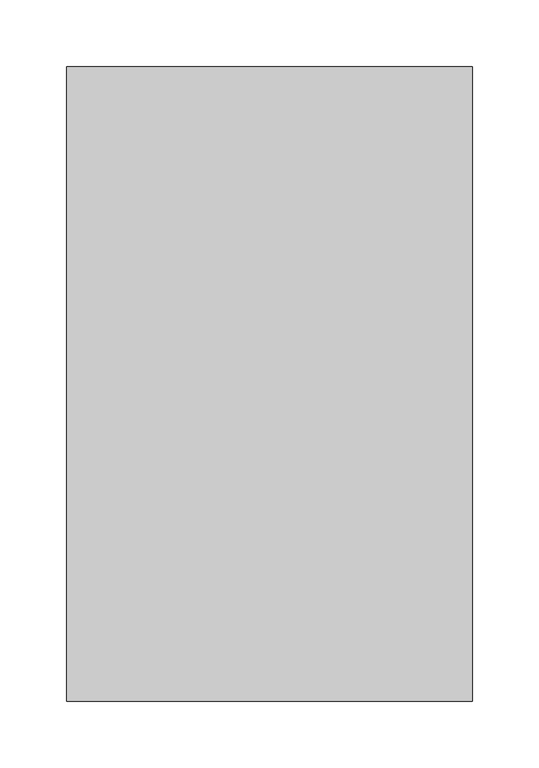
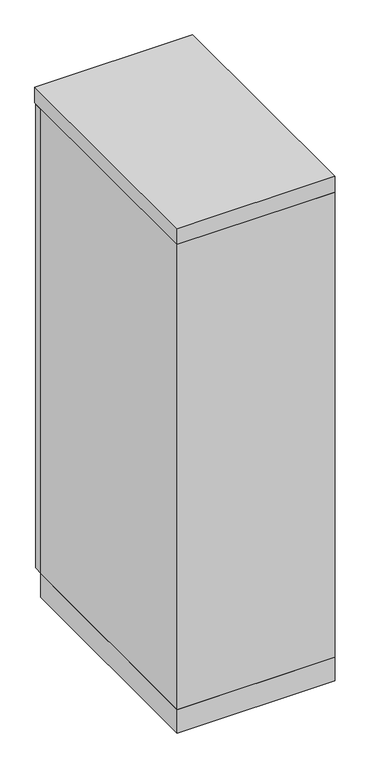
"""IFC4 building model written with IfcOpenShell, lengths in millimetres: furniture geometry."""

from ifc_helpers import new_model, si_unit, frame, origin, origin_with_axes, place, context, project, spatial, polyline, outline, extrude, source, transform, mapped, element, save


def furniture_483364e5(model_context):
    return source(origin(), model_context, "Body", "SweptSolid", [
        extrude(outline(polyline([(150.8125, 476.25), (150.8125, 457.2), (-150.8125, 457.2), (-150.8125, 476.25), (150.8125, 476.25)])), frame((0.0, 0.0, 47.625), z_axis=(0.0, 0.0, 1.0), x_axis=(1.0, 0.0, 0.0)), (0.0, 0.0, 1.0), 946.15),
        extrude(outline(polyline([(152.4, 0.0), (-152.4, 0.0), (-152.4, 457.2), (152.4, 457.2), (152.4, 0.0)])), origin_with_axes(), (0.0, 0.0, 1.0), 47.625),
        extrude(outline(polyline([(152.4, 0.0), (-152.4, 0.0), (-152.4, 476.25), (152.4, 476.25), (152.4, 0.0)])), frame((0.0, 0.0, 996.95), z_axis=(0.0, 0.0, 1.0), x_axis=(1.0, 0.0, 0.0)), (0.0, 0.0, 1.0), 31.75),
        extrude(outline(polyline([(152.4, 0.0), (-152.4, 0.0), (-152.4, 457.2), (-133.35, 457.2), (-133.35, 19.05), (133.35, 19.05), (133.35, 457.2), (152.4, 457.2), (152.4, 0.0)])), frame((0.0, 0.0, 47.625), z_axis=(0.0, 0.0, 1.0), x_axis=(1.0, 0.0, 0.0)), (0.0, 0.0, 1.0), 949.325),
    ])


if __name__ == "__main__":
    model = new_model("IFC4")
    model_context = context("Model", 3, world=origin())
    ifc_project = project(units=[si_unit("LENGTHUNIT", "METRE", prefix="MILLI")], contexts=[model_context])
    site = spatial("IfcSite", under=ifc_project)
    building = spatial("IfcBuilding", under=site)
    placement = place(None, origin())
    furniture_shape = furniture_483364e5(model_context)
    element("IfcFurniture", 1, at=placement, inside=building, context=model_context, shape_type="MappedRepresentation", body=[
        mapped(furniture_shape, transform((0.0, 0.0, 0.0), x_axis=(1.0, 0.0, 0.0), y_axis=(0.0, 1.0, 0.0), z_axis=(0.0, 0.0, 1.0))),
    ])
    save(model, "model.ifc")
